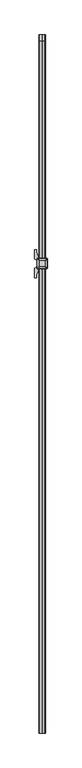
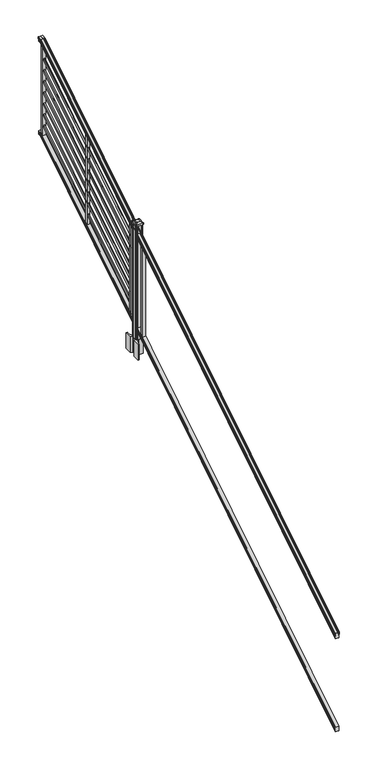
"""IFC4 building model written with IfcOpenShell, lengths in millimetres: railing geometry."""

from ifc_helpers import new_model, si_unit, point, frame, frame_2d, origin, origin_2d, place, context, project, spatial, polyline, circle_curve, ellipse_curve, trimmed, segment, composite_curve, outline, extrude, faceted_brep, source, transform, mapped, element, save
from ifc_brep_helpers import plane_surface, cylinder_surface, revolved_surface, extruded_surface, advanced_brep


def railing_c3fba36c(model_context):
    return source(origin(), model_context, "Body", "SolidModel", [
        advanced_brep(
        [(9720.6704765, -142728.8628453, 1270.3670492), (9720.6704765, -142728.8628453, 1272.5935658), (9721.8006628, -142728.8628453, 1274.4358543), (9721.8006628, -142728.8628453, 1282.9476358), (9721.1514064, -142728.8628453, 1285.8172588), (9723.6514064, -142728.8628453, 1290.9235509), (9725.0607489, -142728.8628453, 1292.9042021), (9725.4626479, -142728.8628453, 1294.2069579), (9725.4626478, -142728.8628453, 1295.7874846), (9723.9092005, -142728.8628453, 1297.6193836), (9703.2376478, -142728.8628453, 1297.6193836), (9682.566095, -142728.8628453, 1297.6193836), (9681.0126478, -142728.8628453, 1295.7874846), (9681.0126478, -142728.8628453, 1294.2069579), (9681.4145467, -142728.8628453, 1292.9042021), (9682.8238891, -142728.8628453, 1290.9235509), (9685.3238891, -142728.8628453, 1285.8172588), (9684.6746327, -142728.8628453, 1282.9476358), (9684.6746327, -142728.8628453, 1274.4358543), (9685.804819, -142728.8628453, 1272.5935658), (9685.804819, -142728.8628453, 1270.3670492), (9688.3786478, -142728.8628453, 1270.3670492), (9688.3786478, -142728.8628453, 1257.985537), (9687.3626478, -142728.8628453, 1256.7874214), (9687.3626478, -142728.8628453, 1242.06), (9719.1126478, -142728.8628453, 1242.06), (9719.1126478, -142728.8628453, 1256.601318), (9718.0966478, -142728.8628453, 1257.7994336), (9718.0966478, -142728.8628453, 1270.3670492), (9720.6704765, -137852.0628453, 4295.0143297), (9718.0966478, -137852.0628453, 4295.0143297), (9718.0966478, -137852.0628453, 4284.357013), (9719.1126478, -137852.0628453, 4283.341013), (9719.1126478, -137852.0628453, 4271.01), (9687.3626478, -137852.0628453, 4271.01), (9687.3626478, -137852.0628453, 4283.4988283), (9688.3786478, -137852.0628453, 4284.5148283), (9688.3786478, -137852.0628453, 4295.0143297), (9685.804819, -137852.0628453, 4295.0143297), (9685.804819, -137852.0628453, 4296.902412), (9684.6746327, -137852.0628453, 4298.4646695), (9684.6746327, -137852.0628453, 4305.6826458), (9685.3238891, -137852.0628453, 4308.1160812), (9682.8238891, -137852.0628453, 4312.4462082), (9681.4145467, -137852.0628453, 4314.1257972), (9681.0126477, -137852.0628453, 4315.2305318), (9681.0126478, -137852.0628453, 4316.5708158), (9682.566095, -137852.0628453, 4318.124263), (9703.2376478, -137852.0628453, 4318.124263), (9723.9092005, -137852.0628453, 4318.124263), (9725.4626478, -137852.0628453, 4316.5708158), (9725.4626478, -137852.0628453, 4315.2305318), (9725.0607489, -137852.0628453, 4314.1257972), (9723.6514064, -137852.0628453, 4312.4462082), (9721.1514064, -137852.0628453, 4308.1160812), (9721.8006628, -137852.0628453, 4305.6826458), (9721.8006628, -137852.0628453, 4298.4646695), (9720.6704765, -137852.0628453, 4296.902412), (9718.0966478, -137889.4271965, 4295.0143297), (9720.6704765, -137889.4271965, 4295.0143297), (9718.0966478, -137886.3707182, 4284.357013), (9719.1126478, -137886.0793333, 4283.341013), (9719.1126478, -137882.5428453, 4271.01), (9687.3626478, -137882.5428453, 4271.01), (9687.3626478, -137886.1245941, 4283.4988283), (9688.3786478, -137886.4159791, 4284.5148283), (9688.3786478, -137889.4271965, 4295.0143297), (9685.804819, -137889.4271965, 4295.0143297), (9685.804819, -137889.9686913, 4296.902412), (9684.6746327, -137890.4167409, 4298.4646695), (9684.6746327, -137892.4868293, 4305.6826458), (9685.3238891, -137893.1847294, 4308.1160812), (9682.8238891, -137894.4265935, 4312.4462082), (9681.4145467, -137894.9082932, 4314.1257972), (9681.0126477, -137895.2251269, 4315.2305318), (9681.0126478, -137895.6095153, 4316.5708158), (9682.566095, -137896.0550381, 4318.124263), (9703.2376478, -137896.0550381, 4318.124263), (9723.9092005, -137896.0550381, 4318.124263), (9725.4626478, -137895.6095153, 4316.5708158), (9725.4626478, -137895.2251269, 4315.2305318), (9725.0607489, -137894.9082932, 4314.1257972), (9723.6514064, -137894.4265935, 4312.4462082), (9721.1514064, -137893.1847294, 4308.1160812), (9721.8006628, -137892.4868293, 4305.6826458), (9721.8006628, -137890.4167409, 4298.4646695), (9720.6704765, -137889.9686913, 4296.902412)],
        [
            (0, 1),
            (1, 2, ellipse_curve(frame((9714.3557232, -142728.8628453, 1279.3839405), z_axis=(0.0, -1.0, 0.0), x_axis=(0.0, 0.0, -1.0)), 10.0777926, 8.545951)),
            (2, 3, ellipse_curve(frame((9714.7927862, -142728.8628453, 1278.6917451), z_axis=(0.0, -1.0, 0.0), x_axis=(0.0, 0.0, -1.0)), 9.2955186, 7.882584)),
            (3, 4, ellipse_curve(frame((9725.3061103, -142728.8628453, 1285.5875077), z_axis=(0.0, 1.0, 0.0), x_axis=(0.0, 0.0, 1.0)), 4.9048088, 4.1592695)),
            (4, 5, ellipse_curve(frame((9726.5934169, -142728.8628453, 1285.5163208), z_axis=(0.0, 1.0, 0.0), x_axis=(0.0, 0.0, 1.0)), 6.4245301, 5.4479907)),
            (5, 6, ellipse_curve(frame((9725.3602584, -142728.8628453, 1290.9202333), z_axis=(0.0, 1.0, 0.0), x_axis=(0.0, 0.0, 1.0)), 2.0151625, 1.7088543)),
            (6, 7, ellipse_curve(frame((9723.7433583, -142728.8628453, 1294.2069579), z_axis=(0.0, -1.0, 0.0), x_axis=(0.0, 0.0, -1.0)), 2.0274681, 1.7192895)),
            (7, 8),
            (8, 9, ellipse_curve(frame((9723.9092005, -142728.8628453, 1295.7874846), z_axis=(0.0, -1.0, 0.0), x_axis=(0.0, 0.0, -1.0)), 1.831899, 1.5534472)),
            (9, 10),
            (10, 11),
            (11, 12, ellipse_curve(frame((9682.566095, -142728.8628453, 1295.7874846), z_axis=(0.0, -1.0, 0.0), x_axis=(0.0, 0.0, -1.0)), 1.831899, 1.5534472)),
            (12, 13),
            (13, 14, ellipse_curve(frame((9682.7319372, -142728.8628453, 1294.2069579), z_axis=(0.0, -1.0, 0.0), x_axis=(0.0, 0.0, -1.0)), 2.0274681, 1.7192895)),
            (14, 15, ellipse_curve(frame((9681.1150371, -142728.8628453, 1290.9202333), z_axis=(0.0, 1.0, 0.0), x_axis=(0.0, 0.0, 1.0)), 2.0151625, 1.7088543)),
            (15, 16, ellipse_curve(frame((9679.8818787, -142728.8628453, 1285.5163208), z_axis=(0.0, 1.0, 0.0), x_axis=(0.0, 0.0, 1.0)), 6.4245301, 5.4479907)),
            (16, 17, ellipse_curve(frame((9681.1691852, -142728.8628453, 1285.5875077), z_axis=(0.0, 1.0, 0.0), x_axis=(0.0, 0.0, 1.0)), 4.9048088, 4.1592695)),
            (17, 18, ellipse_curve(frame((9691.6825093, -142728.8628453, 1278.6917451), z_axis=(0.0, -1.0, 0.0), x_axis=(0.0, 0.0, -1.0)), 9.2955186, 7.882584)),
            (18, 19, ellipse_curve(frame((9692.1195723, -142728.8628453, 1279.3839405), z_axis=(0.0, -1.0, 0.0), x_axis=(0.0, 0.0, -1.0)), 10.0777926, 8.545951)),
            (19, 20),
            (20, 21, ellipse_curve(frame((9687.0917334, -142728.8628453, 1270.3670492), z_axis=(0.0, -1.0, 0.0), x_axis=(0.0, 0.0, -1.0)), 1.5175907, 1.2869144)),
            (21, 22),
            (22, 23),
            (23, 24),
            (24, 25),
            (25, 26),
            (26, 27),
            (27, 28),
            (28, 0, ellipse_curve(frame((9719.3835621, -142728.8628453, 1270.3670492), z_axis=(0.0, -1.0, 0.0), x_axis=(0.0, 0.0, -1.0)), 1.5175907, 1.2869144)),
            (29, 30, circle_curve(frame((9719.3835621, -137852.0628453, 4295.0143297), z_axis=(0.0, 1.0, 0.0), x_axis=(-1.0, 0.0, 0.0)), 1.2869144)),
            (30, 31),
            (31, 32),
            (32, 33),
            (33, 34),
            (34, 35),
            (35, 36),
            (36, 37),
            (37, 38, circle_curve(frame((9687.0917334, -137852.0628453, 4295.0143297), z_axis=(0.0, 1.0, 0.0), x_axis=(1.0, 0.0, 0.0)), 1.2869144)),
            (38, 39),
            (39, 40, circle_curve(frame((9692.1195723, -137852.0628453, 4302.6606383), z_axis=(0.0, 1.0, 0.0), x_axis=(1.0, 0.0, 0.0)), 8.545951)),
            (40, 41, circle_curve(frame((9691.6825093, -137852.0628453, 4302.0736577), z_axis=(0.0, 1.0, 0.0), x_axis=(1.0, 0.0, 0.0)), 7.882584)),
            (41, 42, circle_curve(frame((9681.1691852, -137852.0628453, 4307.9212527), z_axis=(0.0, -1.0, 0.0), x_axis=(1.0, 0.0, 0.0)), 4.1592695)),
            (42, 43, circle_curve(frame((9679.8818787, -137852.0628453, 4307.8608864), z_axis=(0.0, -1.0, 0.0), x_axis=(1.0, 0.0, 0.0)), 5.4479907)),
            (43, 44, circle_curve(frame((9681.1150371, -137852.0628453, 4312.443395), z_axis=(0.0, -1.0, 0.0), x_axis=(1.0, 0.0, 0.0)), 1.7088543)),
            (44, 45, circle_curve(frame((9682.7319372, -137852.0628453, 4315.2305318), z_axis=(0.0, 1.0, 0.0), x_axis=(1.0, 0.0, 0.0)), 1.7192895)),
            (45, 46),
            (46, 47, circle_curve(frame((9682.566095, -137852.0628453, 4316.5708158), z_axis=(0.0, 1.0, 0.0), x_axis=(1.0, 0.0, 0.0)), 1.5534472)),
            (47, 48),
            (48, 49),
            (49, 50, circle_curve(frame((9723.9092005, -137852.0628453, 4316.5708158), z_axis=(0.0, 1.0, 0.0), x_axis=(-1.0, 0.0, 0.0)), 1.5534472)),
            (50, 51),
            (51, 52, circle_curve(frame((9723.7433583, -137852.0628453, 4315.2305318), z_axis=(0.0, 1.0, 0.0), x_axis=(-1.0, 0.0, 0.0)), 1.7192895)),
            (52, 53, circle_curve(frame((9725.3602584, -137852.0628453, 4312.443395), z_axis=(0.0, -1.0, 0.0), x_axis=(-1.0, 0.0, 0.0)), 1.7088543)),
            (53, 54, circle_curve(frame((9726.5934169, -137852.0628453, 4307.8608864), z_axis=(0.0, -1.0, 0.0), x_axis=(-1.0, 0.0, 0.0)), 5.4479907)),
            (54, 55, circle_curve(frame((9725.3061103, -137852.0628453, 4307.9212527), z_axis=(0.0, -1.0, 0.0), x_axis=(-1.0, 0.0, 0.0)), 4.1592695)),
            (55, 56, circle_curve(frame((9714.7927862, -137852.0628453, 4302.0736577), z_axis=(0.0, 1.0, 0.0), x_axis=(-1.0, 0.0, 0.0)), 7.882584)),
            (56, 57, circle_curve(frame((9714.3557232, -137852.0628453, 4302.6606383), z_axis=(0.0, 1.0, 0.0), x_axis=(-1.0, 0.0, 0.0)), 8.545951)),
            (57, 29),
            (28, 58),
            (58, 59, ellipse_curve(frame((9719.3835621, -137889.4271965, 4295.0143297), z_axis=(0.0, -0.9612487461643644, -0.2756825130425166), x_axis=(0.0, 0.27568251304251695, -0.9612487461643643)), 1.3387943, 1.2869144)),
            (59, 0),
            (27, 60),
            (60, 58),
            (26, 61),
            (61, 60),
            (25, 62),
            (62, 61),
            (24, 63),
            (63, 62),
            (23, 64),
            (64, 63),
            (22, 65),
            (65, 64),
            (21, 66),
            (66, 65),
            (20, 67),
            (67, 66, ellipse_curve(frame((9687.0917334, -137889.4271965, 4295.0143297), z_axis=(0.0, -0.9612487461643644, -0.2756825130425166), x_axis=(0.0, 0.27568251304251695, -0.9612487461643643)), 1.3387943, 1.2869144)),
            (19, 68),
            (68, 67),
            (18, 69),
            (69, 68, ellipse_curve(frame((9692.1195723, -137891.6201289, 4302.6606383), z_axis=(0.0, -0.9612487461643644, -0.2756825130425166), x_axis=(0.0, 0.27568251304251695, -0.9612487461643643)), 8.8904678, 8.545951)),
            (17, 70),
            (70, 69, ellipse_curve(frame((9691.6825093, -137891.4517851, 4302.0736577), z_axis=(0.0, -0.9612487461643644, -0.2756825130425166), x_axis=(0.0, 0.27568251304251695, -0.9612487461643643)), 8.2003581, 7.882584)),
            (16, 71),
            (71, 70, ellipse_curve(frame((9681.1691852, -137893.1288533, 4307.9212527), z_axis=(0.0, 0.9612487461643644, 0.2756825130425166), x_axis=(0.0, -0.27568251304251695, 0.9612487461643643)), 4.326944, 4.1592695)),
            (15, 72),
            (72, 71, ellipse_curve(frame((9679.8818787, -137893.1115404, 4307.8608864), z_axis=(0.0, 0.9612487461643644, 0.2756825130425166), x_axis=(0.0, -0.27568251304251695, 0.9612487461643643)), 5.667618, 5.4479907)),
            (14, 73),
            (73, 72, ellipse_curve(frame((9681.1150371, -137894.4257866, 4312.443395), z_axis=(0.0, 0.9612487461643644, 0.2756825130425166), x_axis=(0.0, -0.27568251304251695, 0.9612487461643643)), 1.7777442, 1.7088543)),
            (13, 74),
            (74, 73, ellipse_curve(frame((9682.7319372, -137895.2251269, 4315.2305318), z_axis=(0.0, -0.9612487461643644, -0.2756825130425166), x_axis=(0.0, 0.27568251304251695, -0.9612487461643643)), 1.7886, 1.7192895)),
            (12, 75),
            (75, 74),
            (11, 76),
            (76, 75, ellipse_curve(frame((9682.566095, -137895.6095153, 4316.5708158), z_axis=(0.0, -0.9612487461643644, -0.2756825130425166), x_axis=(0.0, 0.27568251304251695, -0.9612487461643643)), 1.6160721, 1.5534472)),
            (10, 77),
            (77, 76),
            (9, 78),
            (78, 77),
            (8, 79),
            (79, 78, ellipse_curve(frame((9723.9092005, -137895.6095153, 4316.5708158), z_axis=(0.0, -0.9612487461643644, -0.2756825130425166), x_axis=(0.0, 0.27568251304251695, -0.9612487461643643)), 1.6160721, 1.5534472)),
            (7, 80),
            (80, 79),
            (6, 81),
            (81, 80, ellipse_curve(frame((9723.7433583, -137895.2251269, 4315.2305318), z_axis=(0.0, -0.9612487461643644, -0.2756825130425166), x_axis=(0.0, 0.27568251304251695, -0.9612487461643643)), 1.7886, 1.7192895)),
            (5, 82),
            (82, 81, ellipse_curve(frame((9725.3602584, -137894.4257866, 4312.443395), z_axis=(0.0, 0.9612487461643644, 0.2756825130425166), x_axis=(0.0, -0.27568251304251695, 0.9612487461643643)), 1.7777442, 1.7088543)),
            (4, 83),
            (83, 82, ellipse_curve(frame((9726.5934169, -137893.1115404, 4307.8608864), z_axis=(0.0, 0.9612487461643644, 0.2756825130425166), x_axis=(0.0, -0.27568251304251695, 0.9612487461643643)), 5.667618, 5.4479907)),
            (3, 84),
            (84, 83, ellipse_curve(frame((9725.3061103, -137893.1288533, 4307.9212527), z_axis=(0.0, 0.9612487461643644, 0.2756825130425166), x_axis=(0.0, -0.27568251304251695, 0.9612487461643643)), 4.326944, 4.1592695)),
            (2, 85),
            (85, 84, ellipse_curve(frame((9714.7927862, -137891.4517851, 4302.0736577), z_axis=(0.0, -0.9612487461643644, -0.2756825130425166), x_axis=(0.0, 0.27568251304251695, -0.9612487461643643)), 8.2003581, 7.882584)),
            (1, 86),
            (86, 85, ellipse_curve(frame((9714.3557232, -137891.6201289, 4302.6606383), z_axis=(0.0, -0.9612487461643644, -0.2756825130425166), x_axis=(0.0, 0.27568251304251695, -0.9612487461643643)), 8.8904678, 8.545951)),
            (59, 86),
            (58, 30),
            (29, 59),
            (60, 31),
            (61, 32),
            (62, 33),
            (63, 34),
            (64, 35),
            (65, 36),
            (66, 37),
            (67, 38),
            (68, 39),
            (69, 40),
            (70, 41),
            (71, 42),
            (72, 43),
            (73, 44),
            (74, 45),
            (75, 46),
            (76, 47),
            (77, 48),
            (78, 49),
            (79, 50),
            (80, 51),
            (81, 52),
            (82, 53),
            (83, 54),
            (84, 55),
            (85, 56),
            (86, 57),
        ],
        [
            plane_surface(frame((9703.2376478, -142728.8628453, 1242.06), z_axis=(0.0, -1.0, 0.0), x_axis=(0.0, 0.0, 1.0))),
            plane_surface(frame((9703.2376478, -137852.0628453, 4271.01), z_axis=(0.0, 1.0, 0.0), x_axis=(0.0, 0.0, 1.0))),
            cylinder_surface(frame((9719.3835621, -142741.5851146, 1262.4156309), z_axis=(0.0, -0.8479983040051253, -0.5299989400031203), x_axis=(-1.0, 0.0, 0.0)), 1.2869144),
            plane_surface(frame((9718.0966478, -142728.8628453, 1257.7994336), z_axis=(1.0, 0.0, 0.0), x_axis=(0.0, 0.8479983040051248, 0.5299989400031211))),
            plane_surface(frame((9719.1126478, -142728.8628453, 1256.601318), z_axis=(0.7071067811865387, -0.3747658444978943, 0.5996253511967222), x_axis=(0.0, 0.8479983040051249, 0.5299989400031209))),
            plane_surface(frame((9719.1126478, -142728.8628453, 1242.06), z_axis=(1.0000000000000002, 0.0, 0.0), x_axis=(0.0, 0.8479983040051255, 0.5299989400031201))),
            plane_surface(frame((9687.3626478, -142728.8628453, 1242.06), z_axis=(0.0, 0.5299989400031201, -0.8479983040051255), x_axis=(0.0, 0.8479983040051255, 0.5299989400031201))),
            plane_surface(frame((9687.3626478, -142728.8628453, 1256.7874214), z_axis=(-1.0000000000000002, 0.0, 0.0), x_axis=(0.0, 0.847998304005125, 0.5299989400031209))),
            plane_surface(frame((9688.3786478, -142728.8628453, 1257.985537), z_axis=(-0.7071067811865437, -0.3747658444978903, 0.599625351196719), x_axis=(0.0, 0.8479983040051249, 0.529998940003121))),
            plane_surface(frame((9688.3786478, -142728.8628453, 1270.3670492), z_axis=(-1.0000000000000002, 0.0, 0.0), x_axis=(0.0, 0.8479983040051257, 0.5299989400031199))),
            cylinder_surface(frame((9687.0917334, -142741.5851146, 1262.4156309), z_axis=(0.0, -0.8479983040051253, -0.5299989400031203), x_axis=(1.0, 0.0, 0.0)), 1.2869144),
            plane_surface(frame((9685.804819, -142728.8628453, 1272.5935658), z_axis=(-1.0, 0.0, 0.0), x_axis=(0.0, 0.8479983040051251, 0.5299989400031206))),
            cylinder_surface(frame((9692.1195723, -142745.63765, 1268.8996876), z_axis=(0.0, -0.8479983040051253, -0.5299989400031203), x_axis=(1.0, 0.0, 0.0)), 8.545951),
            cylinder_surface(frame((9691.6825093, -142745.3265509, 1268.401929), z_axis=(0.0, -0.8479983040051253, -0.5299989400031203), x_axis=(1.0, 0.0, 0.0)), 7.882584),
            revolved_surface(polyline([(9685.3284547, -137892.1173076721, 4308.553468716955), (9685.3284547, -142731.06725374944, 1284.209752419102)]), (9681.1691852, -142748.4257701, 1273.3606797), (0.0, 0.8479983040051253, 0.5299989400031203)),
            revolved_surface(polyline([(9685.3298694, -137891.78657425637, 4308.688990189307), (9685.3298694, -142731.75027455282, 1283.7116775044994)]), (9679.8818787, -142748.393776, 1273.3094891), (0.0, 0.8479983040051253, 0.5299989400031203)),
            revolved_surface(polyline([(9682.823891400001, -137894.01018858227, 4312.7031437730975), (9682.823891400001, -142729.76853632246, 1290.354176435948)]), (9681.1150371, -142750.8225007, 1277.1954487), (0.0, 0.8479983040051253, 0.5299989400031203)),
            cylinder_surface(frame((9682.7319372, -142752.2996803, 1279.558936), z_axis=(0.0, -0.8479983040051253, -0.5299989400031203), x_axis=(1.0, 0.0, 0.0)), 1.7192895),
            plane_surface(frame((9681.0126478, -142728.8628453, 1295.7874846), z_axis=(-1.0, 0.0, 0.0), x_axis=(0.0, 0.8479983040051249, 0.529998940003121))),
            cylinder_surface(frame((9682.566095, -142753.0100294, 1280.6954945), z_axis=(0.0, -0.8479983040051253, -0.5299989400031203), x_axis=(1.0, 0.0, 0.0)), 1.5534472),
            plane_surface(frame((9703.2376478, -142728.8628453, 1297.6193836), z_axis=(0.0, -0.5299989400031193, 0.8479983040051259), x_axis=(0.0, 0.8479983040051259, 0.5299989400031193))),
            plane_surface(frame((9723.9092005, -142728.8628453, 1297.6193836), z_axis=(0.0, -0.5299989400031193, 0.8479983040051259), x_axis=(0.0, 0.8479983040051259, 0.5299989400031193))),
            cylinder_surface(frame((9723.9092005, -142753.0100294, 1280.6954945), z_axis=(0.0, -0.8479983040051253, -0.5299989400031203), x_axis=(-1.0, 0.0, 0.0)), 1.5534472),
            plane_surface(frame((9725.4626478, -142728.8628453, 1294.2069579), z_axis=(1.0000000000000002, 0.0, 0.0), x_axis=(0.0, 0.8479983040051259, 0.5299989400031195))),
            cylinder_surface(frame((9723.7433583, -142752.2996803, 1279.558936), z_axis=(0.0, -0.8479983040051253, -0.5299989400031203), x_axis=(-1.0, 0.0, 0.0)), 1.7192895),
            revolved_surface(polyline([(9723.6514041, -137894.01018858227, 4312.7031437730975), (9723.6514041, -142729.76853632246, 1290.354176435948)]), (9725.3602584, -142750.8225007, 1277.1954487), (0.0, 0.8479983040051253, 0.5299989400031203)),
            revolved_surface(polyline([(9721.145426199999, -137891.78657425637, 4308.688990189307), (9721.145426199999, -142731.75027455282, 1283.7116775044994)]), (9726.5934169, -142748.393776, 1273.3094891), (0.0, 0.8479983040051253, 0.5299989400031203)),
            revolved_surface(polyline([(9721.1468408, -137892.1173076721, 4308.553468716955), (9721.1468408, -142731.06725374944, 1284.209752419102)]), (9725.3061103, -142748.4257701, 1273.3606797), (0.0, 0.8479983040051253, 0.5299989400031203)),
            cylinder_surface(frame((9714.7927862, -142745.3265509, 1268.401929), z_axis=(0.0, -0.8479983040051253, -0.5299989400031203), x_axis=(-1.0, 0.0, 0.0)), 7.882584),
            cylinder_surface(frame((9714.3557232, -142745.63765, 1268.8996876), z_axis=(0.0, -0.8479983040051253, -0.5299989400031203), x_axis=(-1.0, 0.0, 0.0)), 8.545951),
            plane_surface(frame((9720.6704765, -142728.8628453, 1270.3670492), z_axis=(1.0000000000000002, 0.0, 0.0), x_axis=(0.0, 0.8479983040051257, 0.5299989400031199))),
            cylinder_surface(frame((9719.3835621, -137882.5428453, 4295.0143297), z_axis=(0.0, -1.0, 0.0), x_axis=(-1.0, 0.0, 0.0)), 1.2869144),
            plane_surface(frame((9718.0966478, -137886.3707182, 4284.357013), z_axis=(1.0, 0.0, 0.0), x_axis=(0.0, 1.0, 0.0))),
            plane_surface(frame((9719.1126478, -137886.0793333, 4283.341013), z_axis=(0.7071067811865397, 0.0, 0.7071067811865555), x_axis=(0.0, 1.0, 0.0))),
            plane_surface(frame((9719.1126478, -137882.5428453, 4271.01), z_axis=(1.0, 0.0, 0.0), x_axis=(0.0, 1.0, 0.0))),
            plane_surface(frame((9687.3626478, -137882.5428453, 4271.01), z_axis=(0.0, 0.0, -1.0), x_axis=(0.0, 1.0, 0.0))),
            plane_surface(frame((9687.3626478, -137886.1245941, 4283.4988283), z_axis=(-1.0, 0.0, 0.0), x_axis=(0.0, 1.0, 0.0))),
            plane_surface(frame((9688.3786478, -137886.4159791, 4284.5148283), z_axis=(-0.7071067811865427, 0.0, 0.7071067811865523), x_axis=(0.0, 1.0, 0.0))),
            plane_surface(frame((9688.3786478, -137889.4271965, 4295.0143297), z_axis=(-1.0, 0.0, 0.0), x_axis=(0.0, 1.0, 0.0))),
            cylinder_surface(frame((9687.0917334, -137882.5428453, 4295.0143297), z_axis=(0.0, -1.0, 0.0), x_axis=(1.0, 0.0, 0.0)), 1.2869144),
            plane_surface(frame((9685.804819, -137889.9686913, 4296.902412), z_axis=(-1.0, 0.0, 0.0), x_axis=(0.0, 1.0, 0.0))),
            cylinder_surface(frame((9692.1195723, -137882.5428453, 4302.6606383), z_axis=(0.0, -1.0, 0.0), x_axis=(1.0, 0.0, 0.0)), 8.545951),
            cylinder_surface(frame((9691.6825093, -137882.5428453, 4302.0736577), z_axis=(0.0, -1.0, 0.0), x_axis=(1.0, 0.0, 0.0)), 7.882584),
            revolved_surface(polyline([(9685.3284547, -137852.0628453, 4307.9212527), (9685.3284547, -137894.32171609573, 4307.9212527)]), (9681.1691852, -137882.5428453, 4307.9212527), (0.0, 1.0, 0.0)),
            revolved_surface(polyline([(9685.3298694, -137852.0628453, 4307.8608864), (9685.3298694, -137894.6740035732, 4307.8608864)]), (9679.8818787, -137882.5428453, 4307.8608864), (0.0, 1.0, 0.0)),
            revolved_surface(polyline([(9682.823891400001, -137852.0628453, 4312.443395), (9682.823891400001, -137894.9158795886, 4312.443395)]), (9681.1150371, -137882.5428453, 4312.443395), (0.0, 1.0, 0.0)),
            cylinder_surface(frame((9682.7319372, -137882.5428453, 4315.2305318), z_axis=(0.0, -1.0, 0.0), x_axis=(1.0, 0.0, 0.0)), 1.7192895),
            plane_surface(frame((9681.0126478, -137895.6095153, 4316.5708158), z_axis=(-1.0, 0.0, 0.0), x_axis=(0.0, 1.0, 0.0))),
            cylinder_surface(frame((9682.566095, -137882.5428453, 4316.5708158), z_axis=(0.0, -1.0, 0.0), x_axis=(1.0, 0.0, 0.0)), 1.5534472),
            plane_surface(frame((9703.2376478, -137896.0550381, 4318.124263), z_axis=(0.0, 0.0, 1.0), x_axis=(0.0, 1.0, 0.0))),
            plane_surface(frame((9723.9092005, -137896.0550381, 4318.124263), z_axis=(0.0, 0.0, 1.0), x_axis=(0.0, 1.0, 0.0))),
            cylinder_surface(frame((9723.9092005, -137882.5428453, 4316.5708158), z_axis=(0.0, -1.0, 0.0), x_axis=(-1.0, 0.0, 0.0)), 1.5534472),
            plane_surface(frame((9725.4626478, -137895.2251269, 4315.2305318), z_axis=(1.0, 0.0, 0.0), x_axis=(0.0, 1.0, 0.0))),
            cylinder_surface(frame((9723.7433583, -137882.5428453, 4315.2305318), z_axis=(0.0, -1.0, 0.0), x_axis=(-1.0, 0.0, 0.0)), 1.7192895),
            revolved_surface(polyline([(9723.6514041, -137852.0628453, 4312.443395), (9723.6514041, -137894.9158795886, 4312.443395)]), (9725.3602584, -137882.5428453, 4312.443395), (0.0, 1.0, 0.0)),
            revolved_surface(polyline([(9721.145426199999, -137852.0628453, 4307.8608864), (9721.145426199999, -137894.6740035732, 4307.8608864)]), (9726.5934169, -137882.5428453, 4307.8608864), (0.0, 1.0, 0.0)),
            revolved_surface(polyline([(9721.1468408, -137852.0628453, 4307.9212527), (9721.1468408, -137894.32171609573, 4307.9212527)]), (9725.3061103, -137882.5428453, 4307.9212527), (0.0, 1.0, 0.0)),
            cylinder_surface(frame((9714.7927862, -137882.5428453, 4302.0736577), z_axis=(0.0, -1.0, 0.0), x_axis=(-1.0, 0.0, 0.0)), 7.882584),
            cylinder_surface(frame((9714.3557232, -137882.5428453, 4302.6606383), z_axis=(0.0, -1.0, 0.0), x_axis=(-1.0, 0.0, 0.0)), 8.545951),
            plane_surface(frame((9720.6704765, -137889.4271965, 4295.0143297), z_axis=(1.0, 0.0, 0.0), x_axis=(0.0, 1.0, 0.0))),
        ],
        [
            (0, [[1, 2, 3, 4, 5, 6, 7, 8, 9, 10, 11, 12, 13, 14, 15, 16, 17, 18, 19, 20, 21, 22, 23, 24, 25, 26, 27, 28, 29]]),
            (1, [[30, 31, 32, 33, 34, 35, 36, 37, 38, 39, 40, 41, 42, 43, 44, 45, 46, 47, 48, 49, 50, 51, 52, 53, 54, 55, 56, 57, 58]]),
            (2, [[-29, 59, 60, 61]]),
            (3, [[-28, 62, 63, -59]]),
            (4, [[-27, 64, 65, -62]]),
            (5, [[-26, 66, 67, -64]]),
            (6, [[-25, 68, 69, -66]]),
            (7, [[-24, 70, 71, -68]]),
            (8, [[-23, 72, 73, -70]]),
            (9, [[-22, 74, 75, -72]]),
            (10, [[-21, 76, 77, -74]]),
            (11, [[-20, 78, 79, -76]]),
            (12, [[-19, 80, 81, -78]]),
            (13, [[-18, 82, 83, -80]]),
            (14, [[-17, 84, 85, -82]]),
            (15, [[-16, 86, 87, -84]]),
            (16, [[-15, 88, 89, -86]]),
            (17, [[-14, 90, 91, -88]]),
            (18, [[-13, 92, 93, -90]]),
            (19, [[-12, 94, 95, -92]]),
            (20, [[-11, 96, 97, -94]]),
            (21, [[-10, 98, 99, -96]]),
            (22, [[-9, 100, 101, -98]]),
            (23, [[-8, 102, 103, -100]]),
            (24, [[-7, 104, 105, -102]]),
            (25, [[-6, 106, 107, -104]]),
            (26, [[-5, 108, 109, -106]]),
            (27, [[-4, 110, 111, -108]]),
            (28, [[-3, 112, 113, -110]]),
            (29, [[-2, 114, 115, -112]]),
            (30, [[-1, -61, 116, -114]]),
            (31, [[-60, 117, -30, 118]]),
            (32, [[-63, 119, -31, -117]]),
            (33, [[-65, 120, -32, -119]]),
            (34, [[-67, 121, -33, -120]]),
            (35, [[-69, 122, -34, -121]]),
            (36, [[-71, 123, -35, -122]]),
            (37, [[-73, 124, -36, -123]]),
            (38, [[-75, 125, -37, -124]]),
            (39, [[-77, 126, -38, -125]]),
            (40, [[-79, 127, -39, -126]]),
            (41, [[-81, 128, -40, -127]]),
            (42, [[-83, 129, -41, -128]]),
            (43, [[-85, 130, -42, -129]]),
            (44, [[-87, 131, -43, -130]]),
            (45, [[-89, 132, -44, -131]]),
            (46, [[-91, 133, -45, -132]]),
            (47, [[-93, 134, -46, -133]]),
            (48, [[-95, 135, -47, -134]]),
            (49, [[-97, 136, -48, -135]]),
            (50, [[-99, 137, -49, -136]]),
            (51, [[-101, 138, -50, -137]]),
            (52, [[-103, 139, -51, -138]]),
            (53, [[-105, 140, -52, -139]]),
            (54, [[-107, 141, -53, -140]]),
            (55, [[-109, 142, -54, -141]]),
            (56, [[-111, 143, -55, -142]]),
            (57, [[-113, 144, -56, -143]]),
            (58, [[-115, 145, -57, -144]]),
            (59, [[-116, -118, -58, -145]]),
        ],
    ),
        faceted_brep([(9719.1501347, -142728.8628453, 325.4465079), (9718.1341347, -142728.8628453, 326.980026), (9718.1341347, -142728.8628453, 339.1965048), (9719.1501347, -142728.8628453, 340.7864579), (9719.1501347, -142728.8628453, 355.5664744), (9687.4001347, -142728.8628453, 355.5664744), (9687.4001347, -142728.8628453, 340.7668272), (9688.4161347, -142728.8628453, 339.1768741), (9688.4161347, -142728.8628453, 327.0168303), (9687.4001347, -142728.8628453, 325.4268772), (9687.4001347, -142728.8628453, 310.642), (9719.1501347, -142728.8628453, 310.642), (9719.1501347, -137852.0628453, 3352.1461976), (9719.1501347, -137852.0628453, 3339.592), (9687.4001347, -137852.0628453, 3339.592), (9687.4001347, -137852.0628453, 3352.1295508), (9688.4161347, -137852.0628453, 3353.4778283), (9688.4161347, -137852.0628453, 3363.7895248), (9687.4001347, -137852.0628453, 3365.1378024), (9687.4001347, -137852.0628453, 3377.6878781), (9719.1501347, -137852.0628453, 3377.6878781), (9719.1501347, -137852.0628453, 3365.1544492), (9718.1341347, -137852.0628453, 3363.8061717), (9718.1341347, -137852.0628453, 3353.4466183), (9719.1501347, -137882.5428453, 3339.592), (9719.1501347, -137886.1433418, 3352.1461976), (9687.4001347, -137882.5428453, 3339.592), (9687.4001347, -137886.1385675, 3352.1295508), (9688.4161347, -137886.5252485, 3353.4778283), (9688.4161347, -137889.4826041, 3363.7895248), (9687.4001347, -137889.869285, 3365.1378024), (9687.4001347, -137893.4685994, 3377.6878781), (9719.1501347, -137893.4685994, 3377.6878781), (9719.1501347, -137889.8740593, 3365.1544492), (9718.1341347, -137889.4873783, 3363.8061717), (9718.1341347, -137886.5162975, 3353.4466183)], [[[0, 1, 2, 3, 4, 5, 6, 7, 8, 9, 10, 11]], [[12, 13, 14, 15, 16, 17, 18, 19, 20, 21, 22, 23]], [[0, 11, 24, 25]], [[11, 10, 26, 24]], [[10, 9, 27, 26]], [[9, 8, 28, 27]], [[8, 7, 29, 28]], [[7, 6, 30, 29]], [[6, 5, 31, 30]], [[5, 4, 32, 31]], [[4, 3, 33, 32]], [[3, 2, 34, 33]], [[2, 1, 35, 34]], [[1, 0, 25, 35]], [[25, 24, 13, 12]], [[24, 26, 14, 13]], [[26, 27, 15, 14]], [[27, 28, 16, 15]], [[28, 29, 17, 16]], [[29, 30, 18, 17]], [[30, 31, 19, 18]], [[31, 32, 20, 19]], [[32, 33, 21, 20]], [[33, 34, 22, 21]], [[34, 35, 23, 22]], [[35, 25, 12, 23]]]),
        extrude(outline(polyline([(-137890.1628453, 3372.9253781), (-137915.5628453, 3357.0503781), (-137915.5628453, 4250.3725), (-137890.1628453, 4266.2475), (-137890.1628453, 3372.9253781)])), frame((9690.5376478, 0.0, 0.0), z_axis=(1.0, 0.0, 0.0), x_axis=(0.0, 1.0, 0.0)), (0.0, 0.0, 1.0), 25.4),
        extrude(outline(composite_curve([segment(trimmed(circle_curve(origin_2d(), 8.001), [point((0.0, 8.001))], [point((0.0, -8.001))], False, "CARTESIAN"), True, "CONTINUOUS"), segment(trimmed(circle_curve(origin_2d(), 8.001), [point((0.0, -8.001))], [point((0.0, 8.001))], False, "CARTESIAN"), True, "CONTINUOUS")], self_intersect=False)), frame((9702.9274858, -138634.3828453, 3787.1989969), z_axis=(0.0, 0.8479983040051253, 0.5299989400031202), x_axis=(1.0, 0.0, 0.0)), (0.0, 0.0, 1.0), 868.6338127),
        extrude(outline(composite_curve([segment(trimmed(circle_curve(origin_2d(), 8.001), [point((0.0, 8.001))], [point((0.0, -8.001))], False, "CARTESIAN"), True, "CONTINUOUS"), segment(trimmed(circle_curve(origin_2d(), 8.001), [point((0.0, -8.001))], [point((0.0, 8.001))], False, "CARTESIAN"), True, "CONTINUOUS")], self_intersect=False)), frame((9702.9274858, -138634.3828453, 3008.8696159), z_axis=(0.0, 0.8479983040051254, 0.5299989400031201), x_axis=(1.0, 0.0, 0.0)), (0.0, 0.0, 1.0), 868.6338127),
        extrude(outline(composite_curve([segment(trimmed(circle_curve(origin_2d(), 8.001), [point((0.0, 8.001))], [point((0.0, -8.001))], False, "CARTESIAN"), True, "CONTINUOUS"), segment(trimmed(circle_curve(origin_2d(), 8.001), [point((0.0, -8.001))], [point((0.0, 8.001))], False, "CARTESIAN"), True, "CONTINUOUS")], self_intersect=False)), frame((9702.9274858, -138634.3828453, 3120.0595274), z_axis=(0.0, 0.8479983040051253, 0.5299989400031203), x_axis=(1.0, 0.0, 0.0)), (0.0, 0.0, 1.0), 868.6338127),
        extrude(outline(composite_curve([segment(trimmed(circle_curve(origin_2d(), 8.001), [point((0.0, 8.001))], [point((0.0, -8.001))], False, "CARTESIAN"), True, "CONTINUOUS"), segment(trimmed(circle_curve(origin_2d(), 8.001), [point((0.0, -8.001))], [point((0.0, 8.001))], False, "CARTESIAN"), True, "CONTINUOUS")], self_intersect=False)), frame((9702.9274858, -138634.3828453, 3231.249439), z_axis=(0.0, 0.8479983040051253, 0.5299989400031203), x_axis=(1.0, 0.0, 0.0)), (0.0, 0.0, 1.0), 868.6338127),
        extrude(outline(composite_curve([segment(trimmed(circle_curve(origin_2d(), 8.001), [point((0.0, 8.001))], [point((0.0, -8.001))], False, "CARTESIAN"), True, "CONTINUOUS"), segment(trimmed(circle_curve(origin_2d(), 8.001), [point((0.0, -8.001))], [point((0.0, 8.001))], False, "CARTESIAN"), True, "CONTINUOUS")], self_intersect=False)), frame((9702.9274858, -138634.3828453, 3342.4393506), z_axis=(0.0, 0.8479983040051253, 0.5299989400031203), x_axis=(1.0, 0.0, 0.0)), (0.0, 0.0, 1.0), 868.6338127),
        extrude(outline(composite_curve([segment(trimmed(circle_curve(origin_2d(), 8.001), [point((0.0, 8.001))], [point((0.0, -8.001))], False, "CARTESIAN"), True, "CONTINUOUS"), segment(trimmed(circle_curve(origin_2d(), 8.001), [point((0.0, -8.001))], [point((0.0, 8.001))], False, "CARTESIAN"), True, "CONTINUOUS")], self_intersect=False)), frame((9702.9274858, -138634.3828453, 3453.6292622), z_axis=(0.0, 0.8479983040051254, 0.5299989400031202), x_axis=(1.0, 0.0, 0.0)), (0.0, 0.0, 1.0), 868.6338127),
        extrude(outline(composite_curve([segment(trimmed(circle_curve(origin_2d(), 8.001), [point((0.0, 8.001))], [point((0.0, -8.001))], False, "CARTESIAN"), True, "CONTINUOUS"), segment(trimmed(circle_curve(origin_2d(), 8.001), [point((0.0, -8.001))], [point((0.0, 8.001))], False, "CARTESIAN"), True, "CONTINUOUS")], self_intersect=False)), frame((9702.9274858, -138634.3828453, 3564.8191737), z_axis=(0.0, 0.8479983040051253, 0.5299989400031202), x_axis=(1.0, 0.0, 0.0)), (0.0, 0.0, 1.0), 868.6338127),
        extrude(outline(composite_curve([segment(trimmed(circle_curve(origin_2d(), 8.001), [point((0.0, 8.001))], [point((0.0, -8.001))], False, "CARTESIAN"), True, "CONTINUOUS"), segment(trimmed(circle_curve(origin_2d(), 8.001), [point((0.0, -8.001))], [point((0.0, 8.001))], False, "CARTESIAN"), True, "CONTINUOUS")], self_intersect=False)), frame((9702.9274858, -138634.3828453, 3676.0090853), z_axis=(0.0, 0.8479983040051253, 0.5299989400031203), x_axis=(1.0, 0.0, 0.0)), (0.0, 0.0, 1.0), 868.6338127),
        extrude(outline(polyline([(-138616.6028453, 2918.9003781), (-138642.0028453, 2903.0253781), (-138642.0028453, 3796.3475), (-138616.6028453, 3812.2225), (-138616.6028453, 2918.9003781)])), frame((9690.5376478, 0.0, 0.0), z_axis=(1.0, 0.0, 0.0), x_axis=(0.0, 1.0, 0.0)), (0.0, 0.0, 1.0), 25.4),
        extrude(outline(composite_curve([segment(trimmed(circle_curve(origin_2d(), 8.001), [point((0.0, 8.001))], [point((0.0, -8.001))], False, "CARTESIAN"), True, "CONTINUOUS"), segment(trimmed(circle_curve(origin_2d(), 8.001), [point((0.0, -8.001))], [point((0.0, 8.001))], False, "CARTESIAN"), True, "CONTINUOUS")], self_intersect=False)), frame((9702.9274858, -139360.8228453, 3333.1739969), z_axis=(0.0, 0.8479983040051253, 0.5299989400031202), x_axis=(1.0, 0.0, 0.0)), (0.0, 0.0, 1.0), 868.6338127),
        extrude(outline(composite_curve([segment(trimmed(circle_curve(origin_2d(), 8.001), [point((0.0, 8.001))], [point((0.0, -8.001))], False, "CARTESIAN"), True, "CONTINUOUS"), segment(trimmed(circle_curve(origin_2d(), 8.001), [point((0.0, -8.001))], [point((0.0, 8.001))], False, "CARTESIAN"), True, "CONTINUOUS")], self_intersect=False)), frame((9702.9274858, -139360.8228453, 2554.8446159), z_axis=(0.0, 0.8479983040051254, 0.5299989400031201), x_axis=(1.0, 0.0, 0.0)), (0.0, 0.0, 1.0), 868.6338127),
        extrude(outline(composite_curve([segment(trimmed(circle_curve(origin_2d(), 8.001), [point((0.0, 8.001))], [point((0.0, -8.001))], False, "CARTESIAN"), True, "CONTINUOUS"), segment(trimmed(circle_curve(origin_2d(), 8.001), [point((0.0, -8.001))], [point((0.0, 8.001))], False, "CARTESIAN"), True, "CONTINUOUS")], self_intersect=False)), frame((9702.9274858, -139360.8228453, 2666.0345274), z_axis=(0.0, 0.8479983040051253, 0.5299989400031203), x_axis=(1.0, 0.0, 0.0)), (0.0, 0.0, 1.0), 868.6338127),
        extrude(outline(composite_curve([segment(trimmed(circle_curve(origin_2d(), 8.001), [point((0.0, 8.001))], [point((0.0, -8.001))], False, "CARTESIAN"), True, "CONTINUOUS"), segment(trimmed(circle_curve(origin_2d(), 8.001), [point((0.0, -8.001))], [point((0.0, 8.001))], False, "CARTESIAN"), True, "CONTINUOUS")], self_intersect=False)), frame((9702.9274858, -139360.8228453, 2777.224439), z_axis=(0.0, 0.8479983040051253, 0.5299989400031203), x_axis=(1.0, 0.0, 0.0)), (0.0, 0.0, 1.0), 868.6338127),
        extrude(outline(composite_curve([segment(trimmed(circle_curve(origin_2d(), 8.001), [point((0.0, 8.001))], [point((0.0, -8.001))], False, "CARTESIAN"), True, "CONTINUOUS"), segment(trimmed(circle_curve(origin_2d(), 8.001), [point((0.0, -8.001))], [point((0.0, 8.001))], False, "CARTESIAN"), True, "CONTINUOUS")], self_intersect=False)), frame((9702.9274858, -139360.8228453, 2888.4143506), z_axis=(0.0, 0.8479983040051253, 0.5299989400031203), x_axis=(1.0, 0.0, 0.0)), (0.0, 0.0, 1.0), 868.6338127),
        extrude(outline(composite_curve([segment(trimmed(circle_curve(origin_2d(), 8.001), [point((0.0, 8.001))], [point((0.0, -8.001))], False, "CARTESIAN"), True, "CONTINUOUS"), segment(trimmed(circle_curve(origin_2d(), 8.001), [point((0.0, -8.001))], [point((0.0, 8.001))], False, "CARTESIAN"), True, "CONTINUOUS")], self_intersect=False)), frame((9702.9274858, -139360.8228453, 2999.6042622), z_axis=(0.0, 0.8479983040051254, 0.5299989400031202), x_axis=(1.0, 0.0, 0.0)), (0.0, 0.0, 1.0), 868.6338127),
        extrude(outline(composite_curve([segment(trimmed(circle_curve(origin_2d(), 8.001), [point((0.0, 8.001))], [point((0.0, -8.001))], False, "CARTESIAN"), True, "CONTINUOUS"), segment(trimmed(circle_curve(origin_2d(), 8.001), [point((0.0, -8.001))], [point((0.0, 8.001))], False, "CARTESIAN"), True, "CONTINUOUS")], self_intersect=False)), frame((9702.9274858, -139360.8228453, 3110.7941737), z_axis=(0.0, 0.8479983040051253, 0.5299989400031202), x_axis=(1.0, 0.0, 0.0)), (0.0, 0.0, 1.0), 868.6338127),
        extrude(outline(composite_curve([segment(trimmed(circle_curve(origin_2d(), 8.001), [point((0.0, 8.001))], [point((0.0, -8.001))], False, "CARTESIAN"), True, "CONTINUOUS"), segment(trimmed(circle_curve(origin_2d(), 8.001), [point((0.0, -8.001))], [point((0.0, 8.001))], False, "CARTESIAN"), True, "CONTINUOUS")], self_intersect=False)), frame((9702.9274858, -139360.8228453, 3221.9840853), z_axis=(0.0, 0.8479983040051253, 0.5299989400031203), x_axis=(1.0, 0.0, 0.0)), (0.0, 0.0, 1.0), 868.6338127),
        extrude(outline(polyline([(-139343.0428453, 2464.8753781), (-139368.4428453, 2449.0003781), (-139368.4428453, 3342.3225), (-139343.0428453, 3358.1975), (-139343.0428453, 2464.8753781)])), frame((9690.5376478, 0.0, 0.0), z_axis=(1.0, 0.0, 0.0), x_axis=(0.0, 1.0, 0.0)), (0.0, 0.0, 1.0), 25.4),
        extrude(outline(composite_curve([segment(polyline([(9736.2893978, -139466.3469401), (9737.8768978, -139467.1089401), (9737.8768978, -139480.6398682), (9734.6626707, -139483.8540953), (9682.9819999, -139483.8540953), (9682.9819999, -139484.7748453), (9687.3323311, -139484.7748453), (9687.3323311, -139486.2291), (9682.2478014, -139486.2291), (9682.2478014, -139487.5131238), (9690.0385135, -139487.5131238)]), True, "CONTINUOUS"), segment(trimmed(circle_curve(frame_2d((9690.0385135, -139504.2563337)), 16.7432099), [point((9690.0385135, -139487.5131238))], [point((9673.4163912, -139502.246327))], True, "CARTESIAN"), True, "CONTINUOUS"), segment(polyline([(9673.4163912, -139502.246327), (9665.7009469, -139519.2816654)]), True, "CONTINUOUS"), segment(trimmed(circle_curve(frame_2d((9710.8017103, -139535.5537151)), 47.9464123), [point((9665.7009469, -139519.2816654))], [point((9662.855298, -139535.5537151))], True, "CARTESIAN"), True, "CONTINUOUS"), segment(polyline([(9662.855298, -139535.5537151), (9662.855298, -139547.5624547), (9650.6517103, -139547.5624547), (9650.6517103, -139482.2665953), (9668.5983978, -139470.690179), (9668.5983978, -139467.1089401), (9670.1858978, -139466.3469401), (9670.1858978, -139432.0827504), (9668.5983978, -139431.3207504), (9668.5983978, -139427.7395116), (9650.6517103, -139416.1630953), (9650.6517103, -139350.8672359), (9662.855298, -139350.8672359), (9662.855298, -139362.8759755)]), True, "CONTINUOUS"), segment(trimmed(circle_curve(frame_2d((9710.8017103, -139362.8759755)), 47.9464123), [point((9662.855298, -139362.8759755))], [point((9665.7009469, -139379.1480251))], True, "CARTESIAN"), True, "CONTINUOUS"), segment(polyline([(9665.7009469, -139379.1480251), (9673.4163912, -139396.1833636)]), True, "CONTINUOUS"), segment(trimmed(circle_curve(frame_2d((9690.0385135, -139394.1733569)), 16.7432099), [point((9673.4163912, -139396.1833636))], [point((9690.0385135, -139410.9165668))], True, "CARTESIAN"), True, "CONTINUOUS"), segment(polyline([(9690.0385135, -139410.9165668), (9691.7057858, -139410.9165668), (9691.7057858, -139412.2005906), (9687.3323311, -139412.2005906), (9687.3323311, -139413.6548453), (9682.9819999, -139413.6548453), (9682.9819999, -139414.5755953), (9734.6626707, -139414.5755953), (9737.8768978, -139417.7898224), (9737.8768978, -139431.3207504), (9736.2893978, -139432.0827504), (9736.2893978, -139466.3469401)]), True, "CONTINUOUS")], self_intersect=False), holes=[polyline([(9671.4876478, -139419.0523453), (9671.4876478, -139479.3773453), (9673.0751478, -139480.9648453), (9700.4744304, -139480.9648453), (9733.4001478, -139480.9648453), (9734.9876478, -139479.3773453), (9734.9876478, -139419.0523453), (9733.4001478, -139417.4648453), (9700.4744304, -139417.4648453), (9673.0751478, -139417.4648453), (9671.4876478, -139419.0523453)])]), frame((0.0, 0.0, 2119.63), z_axis=(0.0, 0.0, 1.0), x_axis=(1.0, 0.0, 0.0)), (0.0, 0.0, 1.0), 152.4),
        advanced_brep(
        [(9687.3626478, -139468.2648453, 3437.379263), (9719.1126478, -139468.2648453, 3437.379263), (9722.2876478, -139465.0898453, 3437.379263), (9722.2876478, -139433.3398453, 3437.379263), (9719.1126478, -139430.1648453, 3437.379263), (9687.3626478, -139430.1648453, 3437.379263), (9684.1876478, -139433.3398453, 3437.379263), (9684.1876478, -139465.0898453, 3437.379263), (9670.8526478, -139484.7748453, 3426.076263), (9667.6776478, -139481.5998453, 3426.076263), (9667.6776478, -139416.8298453, 3426.076263), (9670.8526478, -139413.6548453, 3426.076263), (9735.6226478, -139413.6548453, 3426.076263), (9738.7976478, -139416.8298453, 3426.076263), (9738.7976478, -139481.5998453, 3426.076263), (9735.6226478, -139484.7748453, 3426.076263)],
        [
            (0, 1),
            (1, 2, circle_curve(frame((9719.1126478, -139465.0898453, 3437.379263), z_axis=(0.0, 0.0, 1.0), x_axis=(0.0, 1.0, 0.0)), 3.175)),
            (2, 3),
            (3, 4, circle_curve(frame((9719.1126478, -139433.3398453, 3437.379263), z_axis=(0.0, 0.0, 1.0), x_axis=(0.0, 1.0, 0.0)), 3.175)),
            (4, 5),
            (5, 6, circle_curve(frame((9687.3626478, -139433.3398453, 3437.379263), z_axis=(0.0, 0.0, 1.0), x_axis=(0.0, 1.0, 0.0)), 3.175)),
            (6, 7),
            (7, 0, circle_curve(frame((9687.3626478, -139465.0898453, 3437.379263), z_axis=(0.0, 0.0, 1.0), x_axis=(0.0, 1.0, 0.0)), 3.175)),
            (8, 9, circle_curve(frame((9670.8526478, -139481.5998453, 3426.076263), z_axis=(0.0, 0.0, -1.0), x_axis=(0.0, 1.0, 0.0)), 3.175)),
            (9, 10),
            (10, 11, circle_curve(frame((9670.8526478, -139416.8298453, 3426.076263), z_axis=(0.0, 0.0, -1.0), x_axis=(0.0, 1.0, 0.0)), 3.175)),
            (11, 12),
            (12, 13, circle_curve(frame((9735.6226478, -139416.8298453, 3426.076263), z_axis=(0.0, 0.0, -1.0), x_axis=(0.0, 1.0, 0.0)), 3.175)),
            (13, 14),
            (14, 15, circle_curve(frame((9735.6226478, -139481.5998453, 3426.076263), z_axis=(0.0, 0.0, -1.0), x_axis=(0.0, 1.0, 0.0)), 3.175)),
            (15, 8),
            (8, 0),
            (7, 9),
            (6, 10),
            (5, 11),
            (4, 12),
            (3, 13),
            (2, 14),
            (1, 15),
        ],
        [
            plane_surface(frame((9703.2376478, -139449.2148453, 3437.379263), z_axis=(0.0, 0.0, 1.0), x_axis=(-1.0, 0.0, 0.0))),
            plane_surface(frame((9703.2376478, -139449.2148453, 3426.076263), z_axis=(0.0, 0.0, -1.0), x_axis=(-1.0, 0.0, 0.0))),
            extruded_surface(trimmed(circle_curve(frame((9687.3626478, -139465.0898453, 3437.379263), z_axis=(0.0, 0.0, -1.0), x_axis=(0.0, 1.0, 0.0)), 3.175), [point((9687.3626478, -139468.2648453, 3437.379263))], [point((9684.1876478, -139465.0898453, 3437.379263))], True, "CARTESIAN"), (-16.51000000000022, -16.50999999998021, -11.302999999999884), 25.940663233605864),
            plane_surface(frame((9667.6776478, -139449.2148453, 3426.076263), z_axis=(-0.5649114395471265, 0.0, 0.8251515409116033), x_axis=(0.0, 1.0, 0.0))),
            extruded_surface(trimmed(circle_curve(frame((9687.3626478, -139433.3398453, 3437.379263), z_axis=(0.0, 0.0, -1.0), x_axis=(0.0, 1.0, 0.0)), 3.175), [point((9684.1876478, -139433.3398453, 3437.379263))], [point((9687.3626478, -139430.1648453, 3437.379263))], True, "CARTESIAN"), (-16.51000000000022, 16.510000000009313, -11.302999999999884), 25.940663233624388),
            plane_surface(frame((9703.2376478, -139413.6548453, 3426.076263), z_axis=(0.0, 0.564911439547091, 0.8251515409116277), x_axis=(1.0, 0.0, 0.0))),
            extruded_surface(trimmed(circle_curve(frame((9719.1126478, -139433.3398453, 3437.379263), z_axis=(0.0, 0.0, -1.0), x_axis=(0.0, 1.0, 0.0)), 3.175), [point((9719.1126478, -139430.1648453, 3437.379263))], [point((9722.2876478, -139433.3398453, 3437.379263))], True, "CARTESIAN"), (16.51000000000022, 16.510000000009313, -11.302999999999884), 25.940663233624388),
            plane_surface(frame((9738.7976478, -139449.2148453, 3426.076263), z_axis=(0.5649114395470568, 0.0, 0.825151540911651), x_axis=(0.0, -1.0, 0.0))),
            extruded_surface(trimmed(circle_curve(frame((9719.1126478, -139465.0898453, 3437.379263), z_axis=(0.0, 0.0, -1.0), x_axis=(0.0, 1.0, 0.0)), 3.175), [point((9722.2876478, -139465.0898453, 3437.379263))], [point((9719.1126478, -139468.2648453, 3437.379263))], True, "CARTESIAN"), (16.51000000000022, -16.50999999998021, -11.302999999999884), 25.940663233605864),
            plane_surface(frame((9703.2376478, -139484.7748453, 3426.076263), z_axis=(0.0, -0.5649114395471048, 0.8251515409116182), x_axis=(-1.0, 0.0, 0.0))),
        ],
        [
            (0, [[1, 2, 3, 4, 5, 6, 7, 8]]),
            (1, [[9, 10, 11, 12, 13, 14, 15, 16]]),
            (2, [[17, -8, 18, -9]]),
            (3, [[-18, -7, 19, -10]]),
            (4, [[-19, -6, 20, -11]]),
            (5, [[-20, -5, 21, -12]]),
            (6, [[-21, -4, 22, -13]]),
            (7, [[-22, -3, 23, -14]]),
            (8, [[-23, -2, 24, -15]]),
            (9, [[-24, -1, -17, -16]]),
        ],
    ),
        extrude(outline(composite_curve([segment(trimmed(circle_curve(frame_2d((9670.8526478, -139481.5998453)), 3.175), [point((9670.8526478, -139484.7748453))], [point((9667.6776478, -139481.5998453))], False, "CARTESIAN"), True, "CONTINUOUS"), segment(polyline([(9667.6776478, -139481.5998453), (9667.6776478, -139416.8298453)]), True, "CONTINUOUS"), segment(trimmed(circle_curve(frame_2d((9670.8526478, -139416.8298453)), 3.175), [point((9667.6776478, -139416.8298453))], [point((9670.8526478, -139413.6548453))], False, "CARTESIAN"), True, "CONTINUOUS"), segment(polyline([(9670.8526478, -139413.6548453), (9735.6226478, -139413.6548453)]), True, "CONTINUOUS"), segment(trimmed(circle_curve(frame_2d((9735.6226478, -139416.8298453)), 3.175), [point((9735.6226478, -139413.6548453))], [point((9738.7976478, -139416.8298453))], False, "CARTESIAN"), True, "CONTINUOUS"), segment(polyline([(9738.7976478, -139416.8298453), (9738.7976478, -139481.5998453)]), True, "CONTINUOUS"), segment(trimmed(circle_curve(frame_2d((9735.6226478, -139481.5998453)), 3.175), [point((9738.7976478, -139481.5998453))], [point((9735.6226478, -139484.7748453))], False, "CARTESIAN"), True, "CONTINUOUS"), segment(polyline([(9735.6226478, -139484.7748453), (9670.8526478, -139484.7748453)]), True, "CONTINUOUS")], self_intersect=False)), frame((0.0, 0.0, 3408.804263), z_axis=(0.0, 0.0, 1.0), x_axis=(1.0, 0.0, 0.0)), (0.0, 0.0, 1.0), 17.272),
        extrude(outline(polyline([(9673.0751478, -139480.9648453), (9671.4876478, -139479.3773453), (9671.4876478, -139469.0268453), (9673.0751478, -139468.2648453), (9673.0751478, -139430.1648453), (9671.4876478, -139429.4028453), (9671.4876478, -139419.0523453), (9673.0751478, -139417.4648453), (9683.4256478, -139417.4648453), (9684.1876478, -139419.0523453), (9722.2876478, -139419.0523453), (9723.0496478, -139417.4648453), (9733.4001478, -139417.4648453), (9734.9876478, -139419.0523453), (9734.9876478, -139429.4028453), (9733.4001478, -139430.1648453), (9733.4001478, -139468.2648453), (9734.9876478, -139469.0268453), (9734.9876478, -139479.3773453), (9733.4001478, -139480.9648453), (9723.0496478, -139480.9648453), (9722.2876478, -139479.3773453), (9684.1876478, -139479.3773453), (9683.4256478, -139480.9648453), (9673.0751478, -139480.9648453)])), frame((0.0, 0.0, 2272.03), z_axis=(0.0, 0.0, 1.0), x_axis=(1.0, 0.0, 0.0)), (0.0, 0.0, 1.0), 1136.774263),
        extrude(outline(polyline([(-139529.9868453, 2348.0353781), (-139555.3868453, 2332.1603781), (-139555.3868453, 3225.4825), (-139529.9868453, 3241.3575), (-139529.9868453, 2348.0353781)])), frame((9690.5376478, 0.0, 0.0), z_axis=(1.0, 0.0, 0.0), x_axis=(0.0, 1.0, 0.0)), (0.0, 0.0, 1.0), 25.4),
        extrude(outline(composite_curve([segment(trimmed(circle_curve(origin_2d(), 8.001), [point((0.0, 8.001))], [point((0.0, -8.001))], False, "CARTESIAN"), True, "CONTINUOUS"), segment(trimmed(circle_curve(origin_2d(), 8.001), [point((0.0, -8.001))], [point((0.0, 8.001))], False, "CARTESIAN"), True, "CONTINUOUS")], self_intersect=False)), frame((9702.9274858, -140274.2068453, 2762.3089969), z_axis=(0.0, 0.8479983040051253, 0.5299989400031202), x_axis=(1.0, 0.0, 0.0)), (0.0, 0.0, 1.0), 868.6338127),
    ])


if __name__ == "__main__":
    model = new_model("IFC4")
    model_context = context("Model", 3, world=origin())
    ifc_project = project(units=[si_unit("LENGTHUNIT", "METRE", prefix="MILLI")], contexts=[model_context])
    site = spatial("IfcSite", under=ifc_project)
    building = spatial("IfcBuilding", under=site)
    placement = place(None, origin())
    railing_shape = railing_c3fba36c(model_context)
    element("IfcRailing", 1, at=placement, inside=building, context=model_context, shape_type="MappedRepresentation", body=[
        mapped(railing_shape, transform((0.0, 0.0, 0.0), x_axis=(1.0, 0.0, 0.0), y_axis=(0.0, 1.0, 0.0), z_axis=(0.0, 0.0, 1.0))),
    ])
    save(model, "model.ifc")
